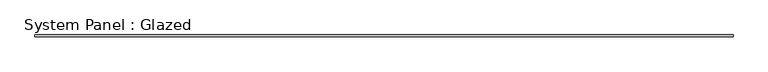
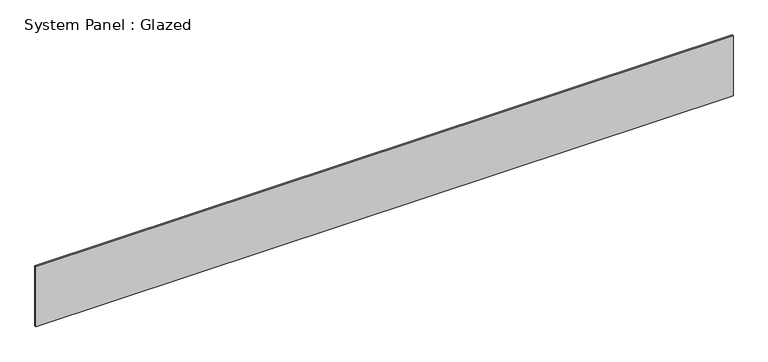
"""IFC4 building model written with IfcOpenShell, lengths in millimetres: plate geometry, System Panel : Glazed."""

from ifc_helpers import new_model, si_unit, origin, origin_with_axes, place, context, project, spatial, polyline, outline, extrude, source, transform, mapped, element, save


def system_panel_glazed_60ed3bf3(model_context):
    return source(origin(), model_context, "Body", "SweptSolid", [
        extrude(outline(polyline([(4958.1677247, 24.5), (-4958.1677247, 24.5), (-4958.1677247, 49.5), (4958.1677247, 49.5), (4958.1677247, 24.5)])), origin_with_axes(), (0.0, 0.0, 1.0), 900.0),
    ])


if __name__ == "__main__":
    model = new_model("IFC4")
    model_context = context("Model", 3, world=origin())
    ifc_project = project(units=[si_unit("LENGTHUNIT", "METRE", prefix="MILLI")], contexts=[model_context])
    site = spatial("IfcSite", under=ifc_project)
    building = spatial("IfcBuilding", under=site)
    placement = place(None, origin())
    system_panel_glazed_shape = system_panel_glazed_60ed3bf3(model_context)
    element("IfcPlate", 1, ObjectType="System Panel : Glazed", at=placement, inside=building, context=model_context, shape_type="MappedRepresentation", body=[
        mapped(system_panel_glazed_shape, transform((0.0, 0.0, 0.0), x_axis=(1.0, 0.0, 0.0), y_axis=(0.0, 1.0, 0.0), z_axis=(0.0, 0.0, 1.0))),
    ])
    save(model, "model.ifc")
